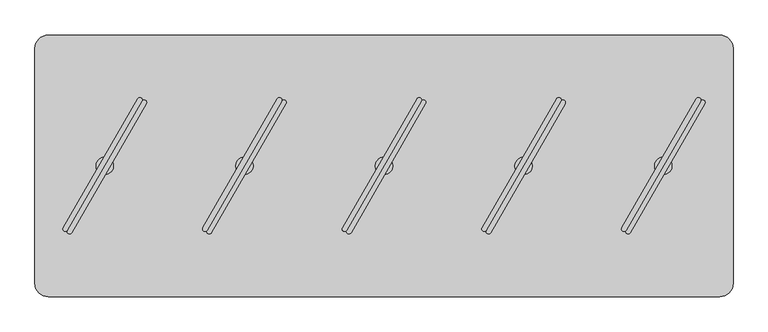
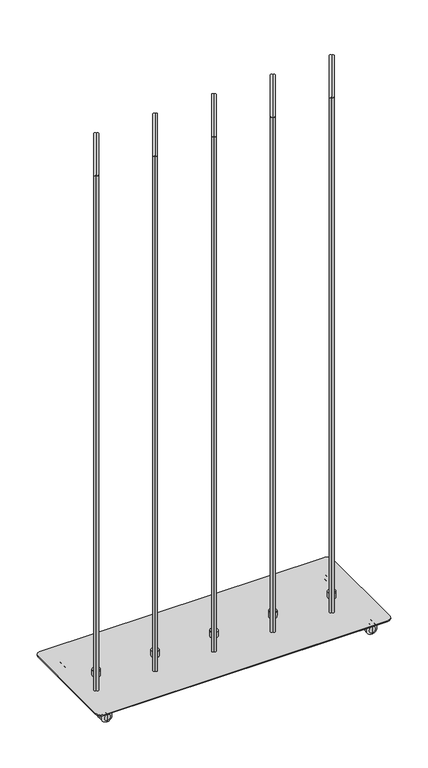
"""IFC4 building model written with IfcOpenShell, lengths in millimetres: furniture geometry."""

from ifc_helpers import new_model, si_unit, point, frame, frame_2d, origin, place, context, project, spatial, polyline, circle_curve, ellipse_curve, trimmed, segment, composite_curve, outline, extrude, source, transform, mapped, element, save
from ifc_brep_helpers import plane_surface, cylinder_surface, revolved_surface, advanced_brep


def furniture_1c10b4f9(model_context):
    return source(origin(), model_context, "Body", "SolidModel", [
        extrude(outline(composite_curve([segment(polyline([(340.6144903, -160.9427833), (447.2724107, 23.7941539)]), True, "CONTINUOUS"), segment(trimmed(circle_curve(frame_2d((450.3034289, 22.0441947)), 3.4999184), [point((447.2724107, 23.7941539))], [point((453.3344472, 20.2942356))], False, "CARTESIAN"), True, "CONTINUOUS"), segment(polyline([(453.3344472, 20.2942356), (346.6765267, -164.4427017)]), True, "CONTINUOUS"), segment(trimmed(circle_curve(frame_2d((343.6455085, -162.6927425)), 3.4999184), [point((346.6765267, -164.4427017))], [point((340.6144903, -160.9427833))], False, "CARTESIAN"), True, "CONTINUOUS")], self_intersect=False)), frame((0.0, 0.0, 80.7339983), z_axis=(0.0, 0.0, 1.0), x_axis=(1.0, 0.0, 0.0)), (0.0, 0.0, 1.0), 1849.882),
        extrude(outline(composite_curve([segment(trimmed(circle_curve(frame_2d((349.707545, -166.1926609)), 3.4999184), [point((352.7385632, -167.9426201))], [point((346.6765267, -164.4427017))], False, "CARTESIAN"), True, "CONTINUOUS"), segment(polyline([(346.6765267, -164.4427017), (453.3344472, 20.2942356)]), True, "CONTINUOUS"), segment(trimmed(circle_curve(frame_2d((456.3654654, 18.5442764)), 3.4999184), [point((453.3344472, 20.2942356))], [point((459.3964836, 16.7943172))], False, "CARTESIAN"), True, "CONTINUOUS"), segment(polyline([(459.3964836, 16.7943172), (352.7385632, -167.9426201)]), True, "CONTINUOUS")], self_intersect=False)), frame((0.0, 0.0, 80.7339983), z_axis=(0.0, 0.0, 1.0), x_axis=(1.0, 0.0, 0.0)), (0.0, 0.0, 1.0), 1849.882),
        advanced_brep(
        [(399.9992, -84.5709522, 80.7339983), (399.9992, -59.5748171, 80.7339983), (399.9992, -59.5748171, 59.9975986), (399.9992, -84.5709522, 59.9975986), (399.9992, -72.0728847, 80.7339983), (399.9992, -72.0728847, 59.9975986)],
        [
            (0, 1, circle_curve(frame((399.9992, -72.0728847, 80.7339983), z_axis=(0.0, 0.0, -1.0), x_axis=(0.0, 1.0, 0.0)), 12.4980675)),
            (1, 2),
            (2, 3, circle_curve(frame((399.9992, -72.0728847, 59.9975986), z_axis=(0.0, 0.0, 1.0), x_axis=(0.0, 1.0, 0.0)), 12.4980675)),
            (3, 0),
            (4, 1),
            (0, 4),
            (0, 1, circle_curve(frame((399.9992, -72.0728847, 80.7339983), z_axis=(0.0, 0.0, 1.0), x_axis=(0.0, 1.0, 0.0)), 12.4980675)),
            (2, 5),
            (5, 3),
            (2, 3, circle_curve(frame((399.9992, -72.0728847, 59.9975986), z_axis=(0.0, 0.0, -1.0), x_axis=(0.0, 1.0, 0.0)), 12.4980675)),
        ],
        [
            cylinder_surface(frame((399.9992, -72.0728847, 88.2747758), z_axis=(0.0, 0.0, 1.0), x_axis=(0.0, 1.0, 0.0)), 12.4980675),
            plane_surface(frame((399.9992, -72.0728847, 80.7339983), z_axis=(0.0, 0.0, 1.0), x_axis=(0.0, 1.0, 0.0))),
            plane_surface(frame((399.9992, -72.0728847, 59.9975986), z_axis=(0.0, 0.0, -1.0), x_axis=(0.0, 1.0, 0.0))),
        ],
        [
            (0, [[1, 2, 3, 4]]),
            (1, [[5, -1, 6]]),
            (1, [[-6, 7, -5]]),
            (2, [[-3, 8, 9]]),
            (2, [[10, -9, -8]]),
            (0, [[-7, -4, -10, -2]]),
        ],
    ),
        extrude(outline(composite_curve([segment(polyline([(140.6148903, -160.9427833), (247.2728107, 23.7941539)]), True, "CONTINUOUS"), segment(trimmed(circle_curve(frame_2d((250.3038289, 22.0441947)), 3.4999184), [point((247.2728107, 23.7941539))], [point((253.3348472, 20.2942356))], False, "CARTESIAN"), True, "CONTINUOUS"), segment(polyline([(253.3348472, 20.2942356), (146.6769267, -164.4427017)]), True, "CONTINUOUS"), segment(trimmed(circle_curve(frame_2d((143.6459085, -162.6927425)), 3.4999184), [point((146.6769267, -164.4427017))], [point((140.6148903, -160.9427833))], False, "CARTESIAN"), True, "CONTINUOUS")], self_intersect=False)), frame((0.0, 0.0, 80.7339983), z_axis=(0.0, 0.0, 1.0), x_axis=(1.0, 0.0, 0.0)), (0.0, 0.0, 1.0), 1849.882),
        extrude(outline(composite_curve([segment(trimmed(circle_curve(frame_2d((149.707945, -166.1926609)), 3.4999184), [point((152.7389632, -167.9426201))], [point((146.6769267, -164.4427017))], False, "CARTESIAN"), True, "CONTINUOUS"), segment(polyline([(146.6769267, -164.4427017), (253.3348472, 20.2942356)]), True, "CONTINUOUS"), segment(trimmed(circle_curve(frame_2d((256.3658654, 18.5442764)), 3.4999184), [point((253.3348472, 20.2942356))], [point((259.3968836, 16.7943172))], False, "CARTESIAN"), True, "CONTINUOUS"), segment(polyline([(259.3968836, 16.7943172), (152.7389632, -167.9426201)]), True, "CONTINUOUS")], self_intersect=False)), frame((0.0, 0.0, 80.7339983), z_axis=(0.0, 0.0, 1.0), x_axis=(1.0, 0.0, 0.0)), (0.0, 0.0, 1.0), 1849.882),
        advanced_brep(
        [(199.9996, -84.5709522, 80.7339983), (199.9996, -59.5748171, 80.7339983), (199.9996, -59.5748171, 59.9975986), (199.9996, -84.5709522, 59.9975986), (199.9996, -72.0728847, 80.7339983), (199.9996, -72.0728847, 59.9975986)],
        [
            (0, 1, circle_curve(frame((199.9996, -72.0728847, 80.7339983), z_axis=(0.0, 0.0, -1.0), x_axis=(0.0, 1.0, 0.0)), 12.4980675)),
            (1, 2),
            (2, 3, circle_curve(frame((199.9996, -72.0728847, 59.9975986), z_axis=(0.0, 0.0, 1.0), x_axis=(0.0, 1.0, 0.0)), 12.4980675)),
            (3, 0),
            (4, 1),
            (0, 4),
            (0, 1, circle_curve(frame((199.9996, -72.0728847, 80.7339983), z_axis=(0.0, 0.0, 1.0), x_axis=(0.0, 1.0, 0.0)), 12.4980675)),
            (2, 5),
            (5, 3),
            (2, 3, circle_curve(frame((199.9996, -72.0728847, 59.9975986), z_axis=(0.0, 0.0, -1.0), x_axis=(0.0, 1.0, 0.0)), 12.4980675)),
        ],
        [
            cylinder_surface(frame((199.9996, -72.0728847, 88.2747758), z_axis=(0.0, 0.0, 1.0), x_axis=(0.0, 1.0, 0.0)), 12.4980675),
            plane_surface(frame((199.9996, -72.0728847, 80.7339983), z_axis=(0.0, 0.0, 1.0), x_axis=(0.0, 1.0, 0.0))),
            plane_surface(frame((199.9996, -72.0728847, 59.9975986), z_axis=(0.0, 0.0, -1.0), x_axis=(0.0, 1.0, 0.0))),
        ],
        [
            (0, [[1, 2, 3, 4]]),
            (1, [[5, -1, 6]]),
            (1, [[-6, 7, -5]]),
            (2, [[-3, 8, 9]]),
            (2, [[10, -9, -8]]),
            (0, [[-7, -4, -10, -2]]),
        ],
    ),
        extrude(outline(composite_curve([segment(polyline([(-459.3839097, -160.9427833), (-352.7259893, 23.7941539)]), True, "CONTINUOUS"), segment(trimmed(circle_curve(frame_2d((-349.6949711, 22.0441947)), 3.4999184), [point((-352.7259893, 23.7941539))], [point((-346.6639528, 20.2942356))], False, "CARTESIAN"), True, "CONTINUOUS"), segment(polyline([(-346.6639528, 20.2942356), (-453.3218733, -164.4427017)]), True, "CONTINUOUS"), segment(trimmed(circle_curve(frame_2d((-456.3528915, -162.6927425)), 3.4999184), [point((-453.3218733, -164.4427017))], [point((-459.3839097, -160.9427833))], False, "CARTESIAN"), True, "CONTINUOUS")], self_intersect=False)), frame((0.0, 0.0, 80.7339983), z_axis=(0.0, 0.0, 1.0), x_axis=(1.0, 0.0, 0.0)), (0.0, 0.0, 1.0), 1849.882),
        extrude(outline(composite_curve([segment(trimmed(circle_curve(frame_2d((-450.290855, -166.1926609)), 3.4999184), [point((-447.2598368, -167.9426201))], [point((-453.3218733, -164.4427017))], False, "CARTESIAN"), True, "CONTINUOUS"), segment(polyline([(-453.3218733, -164.4427017), (-346.6639528, 20.2942356)]), True, "CONTINUOUS"), segment(trimmed(circle_curve(frame_2d((-343.6329346, 18.5442764)), 3.4999184), [point((-346.6639528, 20.2942356))], [point((-340.6019164, 16.7943172))], False, "CARTESIAN"), True, "CONTINUOUS"), segment(polyline([(-340.6019164, 16.7943172), (-447.2598368, -167.9426201)]), True, "CONTINUOUS")], self_intersect=False)), frame((0.0, 0.0, 80.7339983), z_axis=(0.0, 0.0, 1.0), x_axis=(1.0, 0.0, 0.0)), (0.0, 0.0, 1.0), 1849.882),
        advanced_brep(
        [(-399.9992, -84.5709522, 80.7339983), (-399.9992, -59.5748171, 80.7339983), (-399.9992, -59.5748171, 59.9975986), (-399.9992, -84.5709522, 59.9975986), (-399.9992, -72.0728847, 80.7339983), (-399.9992, -72.0728847, 59.9975986)],
        [
            (0, 1, circle_curve(frame((-399.9992, -72.0728847, 80.7339983), z_axis=(0.0, 0.0, -1.0), x_axis=(0.0, 1.0, 0.0)), 12.4980675)),
            (1, 2),
            (2, 3, circle_curve(frame((-399.9992, -72.0728847, 59.9975986), z_axis=(0.0, 0.0, 1.0), x_axis=(0.0, 1.0, 0.0)), 12.4980675)),
            (3, 0),
            (4, 1),
            (0, 4),
            (0, 1, circle_curve(frame((-399.9992, -72.0728847, 80.7339983), z_axis=(0.0, 0.0, 1.0), x_axis=(0.0, 1.0, 0.0)), 12.4980675)),
            (2, 5),
            (5, 3),
            (2, 3, circle_curve(frame((-399.9992, -72.0728847, 59.9975986), z_axis=(0.0, 0.0, -1.0), x_axis=(0.0, 1.0, 0.0)), 12.4980675)),
        ],
        [
            cylinder_surface(frame((-399.9992, -72.0728847, 88.2747758), z_axis=(0.0, 0.0, 1.0), x_axis=(0.0, 1.0, 0.0)), 12.4980675),
            plane_surface(frame((-399.9992, -72.0728847, 80.7339983), z_axis=(0.0, 0.0, 1.0), x_axis=(0.0, 1.0, 0.0))),
            plane_surface(frame((-399.9992, -72.0728847, 59.9975986), z_axis=(0.0, 0.0, -1.0), x_axis=(0.0, 1.0, 0.0))),
        ],
        [
            (0, [[1, 2, 3, 4]]),
            (1, [[5, -1, 6]]),
            (1, [[-6, 7, -5]]),
            (2, [[-3, 8, 9]]),
            (2, [[10, -9, -8]]),
            (0, [[-7, -4, -10, -2]]),
        ],
    ),
        extrude(outline(composite_curve([segment(polyline([(-59.3847097, -160.9427833), (47.2732107, 23.7941539)]), True, "CONTINUOUS"), segment(trimmed(circle_curve(frame_2d((50.3042289, 22.0441947)), 3.4999184), [point((47.2732107, 23.7941539))], [point((53.3352472, 20.2942356))], False, "CARTESIAN"), True, "CONTINUOUS"), segment(polyline([(53.3352472, 20.2942356), (-53.3226733, -164.4427017)]), True, "CONTINUOUS"), segment(trimmed(circle_curve(frame_2d((-56.3536915, -162.6927425)), 3.4999184), [point((-53.3226733, -164.4427017))], [point((-59.3847097, -160.9427833))], False, "CARTESIAN"), True, "CONTINUOUS")], self_intersect=False)), frame((0.0, 0.0, 80.7339983), z_axis=(0.0, 0.0, 1.0), x_axis=(1.0, 0.0, 0.0)), (0.0, 0.0, 1.0), 1849.882),
        extrude(outline(composite_curve([segment(trimmed(circle_curve(frame_2d((-50.291655, -166.1926609)), 3.4999184), [point((-47.2606368, -167.9426201))], [point((-53.3226733, -164.4427017))], False, "CARTESIAN"), True, "CONTINUOUS"), segment(polyline([(-53.3226733, -164.4427017), (53.3352472, 20.2942356)]), True, "CONTINUOUS"), segment(trimmed(circle_curve(frame_2d((56.3662654, 18.5442764)), 3.4999184), [point((53.3352472, 20.2942356))], [point((59.3972836, 16.7943172))], False, "CARTESIAN"), True, "CONTINUOUS"), segment(polyline([(59.3972836, 16.7943172), (-47.2606368, -167.9426201)]), True, "CONTINUOUS")], self_intersect=False)), frame((0.0, 0.0, 80.7339983), z_axis=(0.0, 0.0, 1.0), x_axis=(1.0, 0.0, 0.0)), (0.0, 0.0, 1.0), 1849.882),
        advanced_brep(
        [(0.0, -84.5709522, 80.7339983), (0.0, -59.5748171, 80.7339983), (0.0, -59.5748171, 59.9975986), (0.0, -84.5709522, 59.9975986), (0.0, -72.0728847, 80.7339983), (0.0, -72.0728847, 59.9975986)],
        [
            (0, 1, circle_curve(frame((0.0, -72.0728847, 80.7339983), z_axis=(0.0, 0.0, -1.0), x_axis=(0.0, 1.0, 0.0)), 12.4980675)),
            (1, 2),
            (2, 3, circle_curve(frame((0.0, -72.0728847, 59.9975986), z_axis=(0.0, 0.0, 1.0), x_axis=(0.0, 1.0, 0.0)), 12.4980675)),
            (3, 0),
            (4, 1),
            (0, 4),
            (0, 1, circle_curve(frame((0.0, -72.0728847, 80.7339983), z_axis=(0.0, 0.0, 1.0), x_axis=(0.0, 1.0, 0.0)), 12.4980675)),
            (2, 5),
            (5, 3),
            (2, 3, circle_curve(frame((0.0, -72.0728847, 59.9975986), z_axis=(0.0, 0.0, -1.0), x_axis=(0.0, 1.0, 0.0)), 12.4980675)),
        ],
        [
            cylinder_surface(frame((0.0, -72.0728847, 88.2747758), z_axis=(0.0, 0.0, 1.0), x_axis=(0.0, 1.0, 0.0)), 12.4980675),
            plane_surface(frame((0.0, -72.0728847, 80.7339983), z_axis=(0.0, 0.0, 1.0), x_axis=(0.0, 1.0, 0.0))),
            plane_surface(frame((0.0, -72.0728847, 59.9975986), z_axis=(0.0, 0.0, -1.0), x_axis=(0.0, 1.0, 0.0))),
        ],
        [
            (0, [[1, 2, 3, 4]]),
            (1, [[5, -1, 6]]),
            (1, [[-6, 7, -5]]),
            (2, [[-3, 8, 9]]),
            (2, [[10, -9, -8]]),
            (0, [[-7, -4, -10, -2]]),
        ],
    ),
        extrude(outline(composite_curve([segment(polyline([(-259.3843097, -160.9427833), (-152.7263893, 23.7941539)]), True, "CONTINUOUS"), segment(trimmed(circle_curve(frame_2d((-149.6953711, 22.0441947)), 3.4999184), [point((-152.7263893, 23.7941539))], [point((-146.6643528, 20.2942356))], False, "CARTESIAN"), True, "CONTINUOUS"), segment(polyline([(-146.6643528, 20.2942356), (-253.3222733, -164.4427017)]), True, "CONTINUOUS"), segment(trimmed(circle_curve(frame_2d((-256.3532915, -162.6927425)), 3.4999184), [point((-253.3222733, -164.4427017))], [point((-259.3843097, -160.9427833))], False, "CARTESIAN"), True, "CONTINUOUS")], self_intersect=False)), frame((0.0, 0.0, 80.7339983), z_axis=(0.0, 0.0, 1.0), x_axis=(1.0, 0.0, 0.0)), (0.0, 0.0, 1.0), 1849.882),
        extrude(outline(composite_curve([segment(trimmed(circle_curve(frame_2d((-250.291255, -166.1926609)), 3.4999184), [point((-247.2602368, -167.9426201))], [point((-253.3222733, -164.4427017))], False, "CARTESIAN"), True, "CONTINUOUS"), segment(polyline([(-253.3222733, -164.4427017), (-146.6643528, 20.2942356)]), True, "CONTINUOUS"), segment(trimmed(circle_curve(frame_2d((-143.6333346, 18.5442764)), 3.4999184), [point((-146.6643528, 20.2942356))], [point((-140.6023164, 16.7943172))], False, "CARTESIAN"), True, "CONTINUOUS"), segment(polyline([(-140.6023164, 16.7943172), (-247.2602368, -167.9426201)]), True, "CONTINUOUS")], self_intersect=False)), frame((0.0, 0.0, 80.7339983), z_axis=(0.0, 0.0, 1.0), x_axis=(1.0, 0.0, 0.0)), (0.0, 0.0, 1.0), 1849.882),
        advanced_brep(
        [(-199.9996, -84.5709522, 80.7339983), (-199.9996, -59.5748171, 80.7339983), (-199.9996, -59.5748171, 59.9975986), (-199.9996, -84.5709522, 59.9975986), (-199.9996, -72.0728847, 80.7339983), (-199.9996, -72.0728847, 59.9975986)],
        [
            (0, 1, circle_curve(frame((-199.9996, -72.0728847, 80.7339983), z_axis=(0.0, 0.0, -1.0), x_axis=(0.0, 1.0, 0.0)), 12.4980675)),
            (1, 2),
            (2, 3, circle_curve(frame((-199.9996, -72.0728847, 59.9975986), z_axis=(0.0, 0.0, 1.0), x_axis=(0.0, 1.0, 0.0)), 12.4980675)),
            (3, 0),
            (4, 1),
            (0, 4),
            (0, 1, circle_curve(frame((-199.9996, -72.0728847, 80.7339983), z_axis=(0.0, 0.0, 1.0), x_axis=(0.0, 1.0, 0.0)), 12.4980675)),
            (2, 5),
            (5, 3),
            (2, 3, circle_curve(frame((-199.9996, -72.0728847, 59.9975986), z_axis=(0.0, 0.0, -1.0), x_axis=(0.0, 1.0, 0.0)), 12.4980675)),
        ],
        [
            cylinder_surface(frame((-199.9996, -72.0728847, 88.2747758), z_axis=(0.0, 0.0, 1.0), x_axis=(0.0, 1.0, 0.0)), 12.4980675),
            plane_surface(frame((-199.9996, -72.0728847, 80.7339983), z_axis=(0.0, 0.0, 1.0), x_axis=(0.0, 1.0, 0.0))),
            plane_surface(frame((-199.9996, -72.0728847, 59.9975986), z_axis=(0.0, 0.0, -1.0), x_axis=(0.0, 1.0, 0.0))),
        ],
        [
            (0, [[1, 2, 3, 4]]),
            (1, [[5, -1, 6]]),
            (1, [[-6, 7, -5]]),
            (2, [[-3, 8, 9]]),
            (2, [[10, -9, -8]]),
            (0, [[-7, -4, -10, -2]]),
        ],
    ),
        advanced_brep(
        [(450.0227698, -206.2418204, 45.0000013), (450.0227698, -203.51056, 45.0000013), (450.0227698, -208.9730808, 45.0000013), (450.0227698, -208.9730808, 20.9698569), (450.0227698, -203.51056, 20.9698569), (450.0227698, -206.2418204, 20.9698569)],
        [
            (0, 1),
            (1, 2, circle_curve(frame((450.0227698, -206.2418204, 45.0000013), z_axis=(0.0, 0.0, 1.0), x_axis=(0.0, 1.0, 0.0)), 2.7312604)),
            (2, 0),
            (2, 1, circle_curve(frame((450.0227698, -206.2418204, 45.0000013), z_axis=(0.0, 0.0, 1.0), x_axis=(0.0, 1.0, 0.0)), 2.7312604)),
            (3, 4, circle_curve(frame((450.0227698, -206.2418204, 20.9698569), z_axis=(0.0, 0.0, -1.0), x_axis=(0.0, 1.0, 0.0)), 2.7312604)),
            (4, 5),
            (5, 3),
            (4, 3, circle_curve(frame((450.0227698, -206.2418204, 20.9698569), z_axis=(0.0, 0.0, -1.0), x_axis=(0.0, 1.0, 0.0)), 2.7312604)),
            (1, 4),
            (3, 2),
        ],
        [
            plane_surface(frame((450.0227698, -206.2418204, 45.0000013), z_axis=(0.0, 0.0, 1.0), x_axis=(0.0, 1.0, 0.0))),
            plane_surface(frame((450.0227698, -206.2418204, 20.9698569), z_axis=(0.0, 0.0, -1.0), x_axis=(0.0, 1.0, 0.0))),
            cylinder_surface(frame((450.0227698, -206.2418204, 53.5051757), z_axis=(0.0, 0.0, 1.0), x_axis=(0.0, 1.0, 0.0)), 2.7312604),
        ],
        [
            (0, [[1, 2, 3]]),
            (0, [[-3, 4, -1]]),
            (1, [[5, 6, 7]]),
            (1, [[8, -7, -6]]),
            (2, [[-2, 9, -5, 10]]),
            (2, [[-4, -10, -8, -9]]),
        ],
    ),
        advanced_brep(
        [(450.0227698, -187.2418219, 6.35), (450.0227698, -187.2418219, 29.650001), (450.0227698, -187.2418219, 18.0000005), (450.0227698, -193.5918219, 0.0), (450.0227698, -193.5918219, 36.000001), (450.0227698, -199.2418207, 0.0), (450.0227698, -199.2418207, 36.000001), (450.0227698, -199.2418207, 11.0000008), (450.0227698, -199.2418207, 25.0000002), (450.0227698, -213.2418246, 11.0000008), (450.0227698, -213.2418246, 25.0000002), (450.0227698, -213.2418246, 0.0), (450.0227698, -213.2418246, 36.000001), (450.0227698, -218.8918189, 0.0), (450.0227698, -218.8918189, 36.000001), (450.0227698, -225.2418189, 6.35), (450.0227698, -225.2418189, 29.650001), (450.0227698, -225.2418189, 18.0000005)],
        [
            (0, 1, circle_curve(frame((450.0227698, -187.2418219, 18.0000005), z_axis=(0.0, 1.0, 0.0), x_axis=(0.0, 0.0, 1.0)), 11.6500005)),
            (1, 2),
            (2, 0),
            (1, 0, circle_curve(frame((450.0227698, -187.2418219, 18.0000005), z_axis=(0.0, 1.0, 0.0), x_axis=(0.0, 0.0, 1.0)), 11.6500005)),
            (3, 4, circle_curve(frame((450.0227698, -193.5918219, 18.0000005), z_axis=(0.0, 1.0, 0.0), x_axis=(0.0, 0.0, 1.0)), 18.0000005)),
            (4, 1, circle_curve(frame((450.0227698, -193.5918219, 29.650001), z_axis=(-1.0, 0.0, 0.0), x_axis=(0.0, 1.0, 0.0)), 6.35)),
            (0, 3, circle_curve(frame((450.0227698, -193.5918219, 6.35), z_axis=(-1.0, 0.0, 0.0), x_axis=(0.0, 1.0, 0.0)), 6.35)),
            (4, 3, circle_curve(frame((450.0227698, -193.5918219, 18.0000005), z_axis=(0.0, 1.0, 0.0), x_axis=(0.0, 0.0, 1.0)), 18.0000005)),
            (5, 6, circle_curve(frame((450.0227698, -199.2418207, 18.0000005), z_axis=(0.0, 1.0, 0.0), x_axis=(0.0, 0.0, 1.0)), 18.0000005)),
            (6, 4),
            (3, 5),
            (6, 5, circle_curve(frame((450.0227698, -199.2418207, 18.0000005), z_axis=(0.0, 1.0, 0.0), x_axis=(0.0, 0.0, 1.0)), 18.0000005)),
            (7, 8, circle_curve(frame((450.0227698, -199.2418207, 18.0000005), z_axis=(0.0, 1.0, 0.0), x_axis=(0.0, 0.0, 1.0)), 6.9999997)),
            (8, 6),
            (5, 7),
            (8, 7, circle_curve(frame((450.0227698, -199.2418207, 18.0000005), z_axis=(0.0, 1.0, 0.0), x_axis=(0.0, 0.0, 1.0)), 6.9999997)),
            (9, 10, circle_curve(frame((450.0227698, -213.2418246, 18.0000005), z_axis=(0.0, 1.0, 0.0), x_axis=(0.0, 0.0, 1.0)), 6.9999997)),
            (10, 8),
            (7, 9),
            (10, 9, circle_curve(frame((450.0227698, -213.2418246, 18.0000005), z_axis=(0.0, 1.0, 0.0), x_axis=(0.0, 0.0, 1.0)), 6.9999997)),
            (11, 12, circle_curve(frame((450.0227698, -213.2418246, 18.0000005), z_axis=(0.0, 1.0, 0.0), x_axis=(0.0, 0.0, 1.0)), 18.0000005)),
            (12, 10),
            (9, 11),
            (12, 11, circle_curve(frame((450.0227698, -213.2418246, 18.0000005), z_axis=(0.0, 1.0, 0.0), x_axis=(0.0, 0.0, 1.0)), 18.0000005)),
            (13, 14, circle_curve(frame((450.0227698, -218.8918189, 18.0000005), z_axis=(0.0, 1.0, 0.0), x_axis=(0.0, 0.0, 1.0)), 18.0000005)),
            (14, 12),
            (11, 13),
            (14, 13, circle_curve(frame((450.0227698, -218.8918189, 18.0000005), z_axis=(0.0, 1.0, 0.0), x_axis=(0.0, 0.0, 1.0)), 18.0000005)),
            (15, 16, circle_curve(frame((450.0227698, -225.2418189, 18.0000005), z_axis=(0.0, 1.0, 0.0), x_axis=(0.0, 0.0, 1.0)), 11.6500005)),
            (16, 14, circle_curve(frame((450.0227698, -218.8918189, 29.650001), z_axis=(-1.0, 0.0, 0.0), x_axis=(0.0, 1.0, 0.0)), 6.35)),
            (13, 15, circle_curve(frame((450.0227698, -218.8918189, 6.35), z_axis=(-1.0, 0.0, 0.0), x_axis=(0.0, 1.0, 0.0)), 6.35)),
            (16, 15, circle_curve(frame((450.0227698, -225.2418189, 18.0000005), z_axis=(0.0, 1.0, 0.0), x_axis=(0.0, 0.0, 1.0)), 11.6500005)),
            (17, 16),
            (15, 17),
        ],
        [
            plane_surface(frame((450.0227698, -187.2418219, 18.0000005), z_axis=(0.0, 1.0, 0.0), x_axis=(0.0, 0.0, 1.0))),
            revolved_surface(trimmed(ellipse_curve(frame((450.0227698, -193.5918219, 29.650001), z_axis=(1.0, 0.0, 0.0), x_axis=(0.0, 1.0, 0.0)), 6.35, 6.35), [point((450.0227698, -187.2418219, 29.650001))], [point((450.0227698, -193.5918219, 36.000001))], True, "CARTESIAN"), (450.0227698, -263.3418189, 18.0000005), (0.0, -1.0, 0.0)),
            cylinder_surface(frame((450.0227698, -263.3418189, 18.0000005), z_axis=(0.0, -1.0, 0.0), x_axis=(0.0, 0.0, 1.0)), 18.0000005),
            plane_surface(frame((450.0227698, -199.2418207, 18.0000005), z_axis=(0.0, -1.0, 0.0), x_axis=(0.0, 0.0, 1.0))),
            cylinder_surface(frame((450.0227698, -263.3418189, 18.0000005), z_axis=(0.0, -1.0, 0.0), x_axis=(0.0, 0.0, 1.0)), 6.9999997),
            plane_surface(frame((450.0227698, -213.2418246, 18.0000005), z_axis=(0.0, 1.0, 0.0), x_axis=(0.0, 0.0, 1.0))),
            revolved_surface(trimmed(ellipse_curve(frame((450.0227698, -218.8918189, 29.650001), z_axis=(1.0, 0.0, 0.0), x_axis=(0.0, 1.0, 0.0)), 6.35, 6.35), [point((450.0227698, -218.8918189, 36.000001))], [point((450.0227698, -225.2418189, 29.650001))], True, "CARTESIAN"), (450.0227698, -263.3418189, 18.0000005), (0.0, -1.0, 0.0)),
            plane_surface(frame((450.0227698, -225.2418189, 18.0000005), z_axis=(0.0, -1.0, 0.0), x_axis=(0.0, 0.0, 1.0))),
        ],
        [
            (0, [[1, 2, 3]]),
            (0, [[4, -3, -2]]),
            (1, [[5, 6, -1, 7]]),
            (1, [[8, -7, -4, -6]]),
            (2, [[9, 10, -5, 11]]),
            (2, [[12, -11, -8, -10]]),
            (3, [[13, 14, -9, 15]]),
            (3, [[16, -15, -12, -14]]),
            (4, [[17, 18, -13, 19]]),
            (4, [[20, -19, -16, -18]]),
            (5, [[21, 22, -17, 23]]),
            (5, [[24, -23, -20, -22]]),
            (2, [[25, 26, -21, 27]]),
            (2, [[28, -27, -24, -26]]),
            (6, [[29, 30, -25, 31]]),
            (6, [[32, -31, -28, -30]]),
            (7, [[33, -29, 34]]),
            (7, [[-34, -32, -33]]),
        ],
    ),
        advanced_brep(
        [(450.0227698, 62.0960511, 45.0000013), (450.0227698, 64.8273115, 45.0000013), (450.0227698, 59.3647906, 45.0000013), (450.0227698, 59.3647906, 20.9698569), (450.0227698, 64.8273115, 20.9698569), (450.0227698, 62.0960511, 20.9698569)],
        [
            (0, 1),
            (1, 2, circle_curve(frame((450.0227698, 62.0960511, 45.0000013), z_axis=(0.0, 0.0, 1.0), x_axis=(0.0, 1.0, 0.0)), 2.7312604)),
            (2, 0),
            (2, 1, circle_curve(frame((450.0227698, 62.0960511, 45.0000013), z_axis=(0.0, 0.0, 1.0), x_axis=(0.0, 1.0, 0.0)), 2.7312604)),
            (3, 4, circle_curve(frame((450.0227698, 62.0960511, 20.9698569), z_axis=(0.0, 0.0, -1.0), x_axis=(0.0, 1.0, 0.0)), 2.7312604)),
            (4, 5),
            (5, 3),
            (4, 3, circle_curve(frame((450.0227698, 62.0960511, 20.9698569), z_axis=(0.0, 0.0, -1.0), x_axis=(0.0, 1.0, 0.0)), 2.7312604)),
            (1, 4),
            (3, 2),
        ],
        [
            plane_surface(frame((450.0227698, 62.0960511, 45.0000013), z_axis=(0.0, 0.0, 1.0), x_axis=(0.0, 1.0, 0.0))),
            plane_surface(frame((450.0227698, 62.0960511, 20.9698569), z_axis=(0.0, 0.0, -1.0), x_axis=(0.0, 1.0, 0.0))),
            cylinder_surface(frame((450.0227698, 62.0960511, 53.5051757), z_axis=(0.0, 0.0, 1.0), x_axis=(0.0, 1.0, 0.0)), 2.7312604),
        ],
        [
            (0, [[1, 2, 3]]),
            (0, [[-3, 4, -1]]),
            (1, [[5, 6, 7]]),
            (1, [[8, -7, -6]]),
            (2, [[-2, 9, -5, 10]]),
            (2, [[-4, -10, -8, -9]]),
        ],
    ),
        advanced_brep(
        [(450.0227698, 81.0960496, 6.35), (450.0227698, 81.0960496, 29.650001), (450.0227698, 81.0960496, 18.0000005), (450.0227698, 74.7460496, 0.0), (450.0227698, 74.7460496, 36.000001), (450.0227698, 69.0960507, 0.0), (450.0227698, 69.0960507, 36.000001), (450.0227698, 69.0960507, 11.0000008), (450.0227698, 69.0960507, 25.0000002), (450.0227698, 55.0960468, 11.0000008), (450.0227698, 55.0960468, 25.0000002), (450.0227698, 55.0960468, 0.0), (450.0227698, 55.0960468, 36.000001), (450.0227698, 49.4460525, 0.0), (450.0227698, 49.4460525, 36.000001), (450.0227698, 43.0960525, 6.35), (450.0227698, 43.0960525, 29.650001), (450.0227698, 43.0960525, 18.0000005)],
        [
            (0, 1, circle_curve(frame((450.0227698, 81.0960496, 18.0000005), z_axis=(0.0, 1.0, 0.0), x_axis=(0.0, 0.0, 1.0)), 11.6500005)),
            (1, 2),
            (2, 0),
            (1, 0, circle_curve(frame((450.0227698, 81.0960496, 18.0000005), z_axis=(0.0, 1.0, 0.0), x_axis=(0.0, 0.0, 1.0)), 11.6500005)),
            (3, 4, circle_curve(frame((450.0227698, 74.7460496, 18.0000005), z_axis=(0.0, 1.0, 0.0), x_axis=(0.0, 0.0, 1.0)), 18.0000005)),
            (4, 1, circle_curve(frame((450.0227698, 74.7460496, 29.650001), z_axis=(-1.0, 0.0, 0.0), x_axis=(0.0, 1.0, 0.0)), 6.35)),
            (0, 3, circle_curve(frame((450.0227698, 74.7460496, 6.35), z_axis=(-1.0, 0.0, 0.0), x_axis=(0.0, 1.0, 0.0)), 6.35)),
            (4, 3, circle_curve(frame((450.0227698, 74.7460496, 18.0000005), z_axis=(0.0, 1.0, 0.0), x_axis=(0.0, 0.0, 1.0)), 18.0000005)),
            (5, 6, circle_curve(frame((450.0227698, 69.0960507, 18.0000005), z_axis=(0.0, 1.0, 0.0), x_axis=(0.0, 0.0, 1.0)), 18.0000005)),
            (6, 4),
            (3, 5),
            (6, 5, circle_curve(frame((450.0227698, 69.0960507, 18.0000005), z_axis=(0.0, 1.0, 0.0), x_axis=(0.0, 0.0, 1.0)), 18.0000005)),
            (7, 8, circle_curve(frame((450.0227698, 69.0960507, 18.0000005), z_axis=(0.0, 1.0, 0.0), x_axis=(0.0, 0.0, 1.0)), 6.9999997)),
            (8, 6),
            (5, 7),
            (8, 7, circle_curve(frame((450.0227698, 69.0960507, 18.0000005), z_axis=(0.0, 1.0, 0.0), x_axis=(0.0, 0.0, 1.0)), 6.9999997)),
            (9, 10, circle_curve(frame((450.0227698, 55.0960468, 18.0000005), z_axis=(0.0, 1.0, 0.0), x_axis=(0.0, 0.0, 1.0)), 6.9999997)),
            (10, 8),
            (7, 9),
            (10, 9, circle_curve(frame((450.0227698, 55.0960468, 18.0000005), z_axis=(0.0, 1.0, 0.0), x_axis=(0.0, 0.0, 1.0)), 6.9999997)),
            (11, 12, circle_curve(frame((450.0227698, 55.0960468, 18.0000005), z_axis=(0.0, 1.0, 0.0), x_axis=(0.0, 0.0, 1.0)), 18.0000005)),
            (12, 10),
            (9, 11),
            (12, 11, circle_curve(frame((450.0227698, 55.0960468, 18.0000005), z_axis=(0.0, 1.0, 0.0), x_axis=(0.0, 0.0, 1.0)), 18.0000005)),
            (13, 14, circle_curve(frame((450.0227698, 49.4460525, 18.0000005), z_axis=(0.0, 1.0, 0.0), x_axis=(0.0, 0.0, 1.0)), 18.0000005)),
            (14, 12),
            (11, 13),
            (14, 13, circle_curve(frame((450.0227698, 49.4460525, 18.0000005), z_axis=(0.0, 1.0, 0.0), x_axis=(0.0, 0.0, 1.0)), 18.0000005)),
            (15, 16, circle_curve(frame((450.0227698, 43.0960525, 18.0000005), z_axis=(0.0, 1.0, 0.0), x_axis=(0.0, 0.0, 1.0)), 11.6500005)),
            (16, 14, circle_curve(frame((450.0227698, 49.4460525, 29.650001), z_axis=(-1.0, 0.0, 0.0), x_axis=(0.0, 1.0, 0.0)), 6.35)),
            (13, 15, circle_curve(frame((450.0227698, 49.4460525, 6.35), z_axis=(-1.0, 0.0, 0.0), x_axis=(0.0, 1.0, 0.0)), 6.35)),
            (16, 15, circle_curve(frame((450.0227698, 43.0960525, 18.0000005), z_axis=(0.0, 1.0, 0.0), x_axis=(0.0, 0.0, 1.0)), 11.6500005)),
            (17, 16),
            (15, 17),
        ],
        [
            plane_surface(frame((450.0227698, 81.0960496, 18.0000005), z_axis=(0.0, 1.0, 0.0), x_axis=(0.0, 0.0, 1.0))),
            revolved_surface(trimmed(ellipse_curve(frame((450.0227698, 74.7460496, 29.650001), z_axis=(1.0, 0.0, 0.0), x_axis=(0.0, 1.0, 0.0)), 6.35, 6.35), [point((450.0227698, 81.0960496, 29.650001))], [point((450.0227698, 74.7460496, 36.000001))], True, "CARTESIAN"), (450.0227698, 4.9960525, 18.0000005), (0.0, -1.0, 0.0)),
            cylinder_surface(frame((450.0227698, 4.9960525, 18.0000005), z_axis=(0.0, -1.0, 0.0), x_axis=(0.0, 0.0, 1.0)), 18.0000005),
            plane_surface(frame((450.0227698, 69.0960507, 18.0000005), z_axis=(0.0, -1.0, 0.0), x_axis=(0.0, 0.0, 1.0))),
            cylinder_surface(frame((450.0227698, 4.9960525, 18.0000005), z_axis=(0.0, -1.0, 0.0), x_axis=(0.0, 0.0, 1.0)), 6.9999997),
            plane_surface(frame((450.0227698, 55.0960468, 18.0000005), z_axis=(0.0, 1.0, 0.0), x_axis=(0.0, 0.0, 1.0))),
            revolved_surface(trimmed(ellipse_curve(frame((450.0227698, 49.4460525, 29.650001), z_axis=(1.0, 0.0, 0.0), x_axis=(0.0, 1.0, 0.0)), 6.35, 6.35), [point((450.0227698, 49.4460525, 36.000001))], [point((450.0227698, 43.0960525, 29.650001))], True, "CARTESIAN"), (450.0227698, 4.9960525, 18.0000005), (0.0, -1.0, 0.0)),
            plane_surface(frame((450.0227698, 43.0960525, 18.0000005), z_axis=(0.0, -1.0, 0.0), x_axis=(0.0, 0.0, 1.0))),
        ],
        [
            (0, [[1, 2, 3]]),
            (0, [[4, -3, -2]]),
            (1, [[5, 6, -1, 7]]),
            (1, [[8, -7, -4, -6]]),
            (2, [[9, 10, -5, 11]]),
            (2, [[12, -11, -8, -10]]),
            (3, [[13, 14, -9, 15]]),
            (3, [[16, -15, -12, -14]]),
            (4, [[17, 18, -13, 19]]),
            (4, [[20, -19, -16, -18]]),
            (5, [[21, 22, -17, 23]]),
            (5, [[24, -23, -20, -22]]),
            (2, [[25, 26, -21, 27]]),
            (2, [[28, -27, -24, -26]]),
            (6, [[29, 30, -25, 31]]),
            (6, [[32, -31, -28, -30]]),
            (7, [[33, -29, 34]]),
            (7, [[-34, -32, -33]]),
        ],
    ),
        advanced_brep(
        [(-450.0227698, 62.0960511, 45.0000013), (-450.0227698, 64.8273115, 45.0000013), (-450.0227698, 59.3647906, 45.0000013), (-450.0227698, 59.3647906, 20.9698569), (-450.0227698, 64.8273115, 20.9698569), (-450.0227698, 62.0960511, 20.9698569)],
        [
            (0, 1),
            (1, 2, circle_curve(frame((-450.0227698, 62.0960511, 45.0000013), z_axis=(0.0, 0.0, 1.0), x_axis=(0.0, 1.0, 0.0)), 2.7312604)),
            (2, 0),
            (2, 1, circle_curve(frame((-450.0227698, 62.0960511, 45.0000013), z_axis=(0.0, 0.0, 1.0), x_axis=(0.0, 1.0, 0.0)), 2.7312604)),
            (3, 4, circle_curve(frame((-450.0227698, 62.0960511, 20.9698569), z_axis=(0.0, 0.0, -1.0), x_axis=(0.0, 1.0, 0.0)), 2.7312604)),
            (4, 5),
            (5, 3),
            (4, 3, circle_curve(frame((-450.0227698, 62.0960511, 20.9698569), z_axis=(0.0, 0.0, -1.0), x_axis=(0.0, 1.0, 0.0)), 2.7312604)),
            (1, 4),
            (3, 2),
        ],
        [
            plane_surface(frame((-450.0227698, 62.0960511, 45.0000013), z_axis=(0.0, 0.0, 1.0), x_axis=(0.0, 1.0, 0.0))),
            plane_surface(frame((-450.0227698, 62.0960511, 20.9698569), z_axis=(0.0, 0.0, -1.0), x_axis=(0.0, 1.0, 0.0))),
            cylinder_surface(frame((-450.0227698, 62.0960511, 53.5051757), z_axis=(0.0, 0.0, 1.0), x_axis=(0.0, 1.0, 0.0)), 2.7312604),
        ],
        [
            (0, [[1, 2, 3]]),
            (0, [[-3, 4, -1]]),
            (1, [[5, 6, 7]]),
            (1, [[8, -7, -6]]),
            (2, [[-2, 9, -5, 10]]),
            (2, [[-4, -10, -8, -9]]),
        ],
    ),
        advanced_brep(
        [(-450.0227698, 81.0960496, 6.35), (-450.0227698, 81.0960496, 29.650001), (-450.0227698, 81.0960496, 18.0000005), (-450.0227698, 74.7460496, 0.0), (-450.0227698, 74.7460496, 36.000001), (-450.0227698, 69.0960507, 0.0), (-450.0227698, 69.0960507, 36.000001), (-450.0227698, 69.0960507, 11.0000008), (-450.0227698, 69.0960507, 25.0000002), (-450.0227698, 55.0960468, 11.0000008), (-450.0227698, 55.0960468, 25.0000002), (-450.0227698, 55.0960468, 0.0), (-450.0227698, 55.0960468, 36.000001), (-450.0227698, 49.4460525, 0.0), (-450.0227698, 49.4460525, 36.000001), (-450.0227698, 43.0960525, 6.35), (-450.0227698, 43.0960525, 29.650001), (-450.0227698, 43.0960525, 18.0000005)],
        [
            (0, 1, circle_curve(frame((-450.0227698, 81.0960496, 18.0000005), z_axis=(0.0, 1.0, 0.0), x_axis=(0.0, 0.0, 1.0)), 11.6500005)),
            (1, 2),
            (2, 0),
            (1, 0, circle_curve(frame((-450.0227698, 81.0960496, 18.0000005), z_axis=(0.0, 1.0, 0.0), x_axis=(0.0, 0.0, 1.0)), 11.6500005)),
            (3, 4, circle_curve(frame((-450.0227698, 74.7460496, 18.0000005), z_axis=(0.0, 1.0, 0.0), x_axis=(0.0, 0.0, 1.0)), 18.0000005)),
            (4, 1, circle_curve(frame((-450.0227698, 74.7460496, 29.650001), z_axis=(-1.0, 0.0, 0.0), x_axis=(0.0, 1.0, 0.0)), 6.35)),
            (0, 3, circle_curve(frame((-450.0227698, 74.7460496, 6.35), z_axis=(-1.0, 0.0, 0.0), x_axis=(0.0, 1.0, 0.0)), 6.35)),
            (4, 3, circle_curve(frame((-450.0227698, 74.7460496, 18.0000005), z_axis=(0.0, 1.0, 0.0), x_axis=(0.0, 0.0, 1.0)), 18.0000005)),
            (5, 6, circle_curve(frame((-450.0227698, 69.0960507, 18.0000005), z_axis=(0.0, 1.0, 0.0), x_axis=(0.0, 0.0, 1.0)), 18.0000005)),
            (6, 4),
            (3, 5),
            (6, 5, circle_curve(frame((-450.0227698, 69.0960507, 18.0000005), z_axis=(0.0, 1.0, 0.0), x_axis=(0.0, 0.0, 1.0)), 18.0000005)),
            (7, 8, circle_curve(frame((-450.0227698, 69.0960507, 18.0000005), z_axis=(0.0, 1.0, 0.0), x_axis=(0.0, 0.0, 1.0)), 6.9999997)),
            (8, 6),
            (5, 7),
            (8, 7, circle_curve(frame((-450.0227698, 69.0960507, 18.0000005), z_axis=(0.0, 1.0, 0.0), x_axis=(0.0, 0.0, 1.0)), 6.9999997)),
            (9, 10, circle_curve(frame((-450.0227698, 55.0960468, 18.0000005), z_axis=(0.0, 1.0, 0.0), x_axis=(0.0, 0.0, 1.0)), 6.9999997)),
            (10, 8),
            (7, 9),
            (10, 9, circle_curve(frame((-450.0227698, 55.0960468, 18.0000005), z_axis=(0.0, 1.0, 0.0), x_axis=(0.0, 0.0, 1.0)), 6.9999997)),
            (11, 12, circle_curve(frame((-450.0227698, 55.0960468, 18.0000005), z_axis=(0.0, 1.0, 0.0), x_axis=(0.0, 0.0, 1.0)), 18.0000005)),
            (12, 10),
            (9, 11),
            (12, 11, circle_curve(frame((-450.0227698, 55.0960468, 18.0000005), z_axis=(0.0, 1.0, 0.0), x_axis=(0.0, 0.0, 1.0)), 18.0000005)),
            (13, 14, circle_curve(frame((-450.0227698, 49.4460525, 18.0000005), z_axis=(0.0, 1.0, 0.0), x_axis=(0.0, 0.0, 1.0)), 18.0000005)),
            (14, 12),
            (11, 13),
            (14, 13, circle_curve(frame((-450.0227698, 49.4460525, 18.0000005), z_axis=(0.0, 1.0, 0.0), x_axis=(0.0, 0.0, 1.0)), 18.0000005)),
            (15, 16, circle_curve(frame((-450.0227698, 43.0960525, 18.0000005), z_axis=(0.0, 1.0, 0.0), x_axis=(0.0, 0.0, 1.0)), 11.6500005)),
            (16, 14, circle_curve(frame((-450.0227698, 49.4460525, 29.650001), z_axis=(-1.0, 0.0, 0.0), x_axis=(0.0, 1.0, 0.0)), 6.35)),
            (13, 15, circle_curve(frame((-450.0227698, 49.4460525, 6.35), z_axis=(-1.0, 0.0, 0.0), x_axis=(0.0, 1.0, 0.0)), 6.35)),
            (16, 15, circle_curve(frame((-450.0227698, 43.0960525, 18.0000005), z_axis=(0.0, 1.0, 0.0), x_axis=(0.0, 0.0, 1.0)), 11.6500005)),
            (17, 16),
            (15, 17),
        ],
        [
            plane_surface(frame((-450.0227698, 81.0960496, 18.0000005), z_axis=(0.0, 1.0, 0.0), x_axis=(0.0, 0.0, 1.0))),
            revolved_surface(trimmed(ellipse_curve(frame((-450.0227698, 74.7460496, 29.650001), z_axis=(1.0, 0.0, 0.0), x_axis=(0.0, 1.0, 0.0)), 6.35, 6.35), [point((-450.0227698, 81.0960496, 29.650001))], [point((-450.0227698, 74.7460496, 36.000001))], True, "CARTESIAN"), (-450.0227698, 4.9960525, 18.0000005), (0.0, -1.0, 0.0)),
            cylinder_surface(frame((-450.0227698, 4.9960525, 18.0000005), z_axis=(0.0, -1.0, 0.0), x_axis=(0.0, 0.0, 1.0)), 18.0000005),
            plane_surface(frame((-450.0227698, 69.0960507, 18.0000005), z_axis=(0.0, -1.0, 0.0), x_axis=(0.0, 0.0, 1.0))),
            cylinder_surface(frame((-450.0227698, 4.9960525, 18.0000005), z_axis=(0.0, -1.0, 0.0), x_axis=(0.0, 0.0, 1.0)), 6.9999997),
            plane_surface(frame((-450.0227698, 55.0960468, 18.0000005), z_axis=(0.0, 1.0, 0.0), x_axis=(0.0, 0.0, 1.0))),
            revolved_surface(trimmed(ellipse_curve(frame((-450.0227698, 49.4460525, 29.650001), z_axis=(1.0, 0.0, 0.0), x_axis=(0.0, 1.0, 0.0)), 6.35, 6.35), [point((-450.0227698, 49.4460525, 36.000001))], [point((-450.0227698, 43.0960525, 29.650001))], True, "CARTESIAN"), (-450.0227698, 4.9960525, 18.0000005), (0.0, -1.0, 0.0)),
            plane_surface(frame((-450.0227698, 43.0960525, 18.0000005), z_axis=(0.0, -1.0, 0.0), x_axis=(0.0, 0.0, 1.0))),
        ],
        [
            (0, [[1, 2, 3]]),
            (0, [[4, -3, -2]]),
            (1, [[5, 6, -1, 7]]),
            (1, [[8, -7, -4, -6]]),
            (2, [[9, 10, -5, 11]]),
            (2, [[12, -11, -8, -10]]),
            (3, [[13, 14, -9, 15]]),
            (3, [[16, -15, -12, -14]]),
            (4, [[17, 18, -13, 19]]),
            (4, [[20, -19, -16, -18]]),
            (5, [[21, 22, -17, 23]]),
            (5, [[24, -23, -20, -22]]),
            (2, [[25, 26, -21, 27]]),
            (2, [[28, -27, -24, -26]]),
            (6, [[29, 30, -25, 31]]),
            (6, [[32, -31, -28, -30]]),
            (7, [[33, -29, 34]]),
            (7, [[-34, -32, -33]]),
        ],
    ),
        advanced_brep(
        [(-450.0227698, -206.2418204, 45.0000013), (-450.0227698, -203.51056, 45.0000013), (-450.0227698, -208.9730808, 45.0000013), (-450.0227698, -208.9730808, 20.9698569), (-450.0227698, -203.51056, 20.9698569), (-450.0227698, -206.2418204, 20.9698569)],
        [
            (0, 1),
            (1, 2, circle_curve(frame((-450.0227698, -206.2418204, 45.0000013), z_axis=(0.0, 0.0, 1.0), x_axis=(0.0, 1.0, 0.0)), 2.7312604)),
            (2, 0),
            (2, 1, circle_curve(frame((-450.0227698, -206.2418204, 45.0000013), z_axis=(0.0, 0.0, 1.0), x_axis=(0.0, 1.0, 0.0)), 2.7312604)),
            (3, 4, circle_curve(frame((-450.0227698, -206.2418204, 20.9698569), z_axis=(0.0, 0.0, -1.0), x_axis=(0.0, 1.0, 0.0)), 2.7312604)),
            (4, 5),
            (5, 3),
            (4, 3, circle_curve(frame((-450.0227698, -206.2418204, 20.9698569), z_axis=(0.0, 0.0, -1.0), x_axis=(0.0, 1.0, 0.0)), 2.7312604)),
            (1, 4),
            (3, 2),
        ],
        [
            plane_surface(frame((-450.0227698, -206.2418204, 45.0000013), z_axis=(0.0, 0.0, 1.0), x_axis=(0.0, 1.0, 0.0))),
            plane_surface(frame((-450.0227698, -206.2418204, 20.9698569), z_axis=(0.0, 0.0, -1.0), x_axis=(0.0, 1.0, 0.0))),
            cylinder_surface(frame((-450.0227698, -206.2418204, 53.5051757), z_axis=(0.0, 0.0, 1.0), x_axis=(0.0, 1.0, 0.0)), 2.7312604),
        ],
        [
            (0, [[1, 2, 3]]),
            (0, [[-3, 4, -1]]),
            (1, [[5, 6, 7]]),
            (1, [[8, -7, -6]]),
            (2, [[-2, 9, -5, 10]]),
            (2, [[-4, -10, -8, -9]]),
        ],
    ),
        advanced_brep(
        [(-450.0227698, -187.2418219, 6.35), (-450.0227698, -187.2418219, 29.650001), (-450.0227698, -187.2418219, 18.0000005), (-450.0227698, -193.5918219, 0.0), (-450.0227698, -193.5918219, 36.000001), (-450.0227698, -199.2418207, 0.0), (-450.0227698, -199.2418207, 36.000001), (-450.0227698, -199.2418207, 11.0000008), (-450.0227698, -199.2418207, 25.0000002), (-450.0227698, -213.2418246, 11.0000008), (-450.0227698, -213.2418246, 25.0000002), (-450.0227698, -213.2418246, 0.0), (-450.0227698, -213.2418246, 36.000001), (-450.0227698, -218.8918189, 0.0), (-450.0227698, -218.8918189, 36.000001), (-450.0227698, -225.2418189, 6.35), (-450.0227698, -225.2418189, 29.650001), (-450.0227698, -225.2418189, 18.0000005)],
        [
            (0, 1, circle_curve(frame((-450.0227698, -187.2418219, 18.0000005), z_axis=(0.0, 1.0, 0.0), x_axis=(0.0, 0.0, 1.0)), 11.6500005)),
            (1, 2),
            (2, 0),
            (1, 0, circle_curve(frame((-450.0227698, -187.2418219, 18.0000005), z_axis=(0.0, 1.0, 0.0), x_axis=(0.0, 0.0, 1.0)), 11.6500005)),
            (3, 4, circle_curve(frame((-450.0227698, -193.5918219, 18.0000005), z_axis=(0.0, 1.0, 0.0), x_axis=(0.0, 0.0, 1.0)), 18.0000005)),
            (4, 1, circle_curve(frame((-450.0227698, -193.5918219, 29.650001), z_axis=(-1.0, 0.0, 0.0), x_axis=(0.0, 1.0, 0.0)), 6.35)),
            (0, 3, circle_curve(frame((-450.0227698, -193.5918219, 6.35), z_axis=(-1.0, 0.0, 0.0), x_axis=(0.0, 1.0, 0.0)), 6.35)),
            (4, 3, circle_curve(frame((-450.0227698, -193.5918219, 18.0000005), z_axis=(0.0, 1.0, 0.0), x_axis=(0.0, 0.0, 1.0)), 18.0000005)),
            (5, 6, circle_curve(frame((-450.0227698, -199.2418207, 18.0000005), z_axis=(0.0, 1.0, 0.0), x_axis=(0.0, 0.0, 1.0)), 18.0000005)),
            (6, 4),
            (3, 5),
            (6, 5, circle_curve(frame((-450.0227698, -199.2418207, 18.0000005), z_axis=(0.0, 1.0, 0.0), x_axis=(0.0, 0.0, 1.0)), 18.0000005)),
            (7, 8, circle_curve(frame((-450.0227698, -199.2418207, 18.0000005), z_axis=(0.0, 1.0, 0.0), x_axis=(0.0, 0.0, 1.0)), 6.9999997)),
            (8, 6),
            (5, 7),
            (8, 7, circle_curve(frame((-450.0227698, -199.2418207, 18.0000005), z_axis=(0.0, 1.0, 0.0), x_axis=(0.0, 0.0, 1.0)), 6.9999997)),
            (9, 10, circle_curve(frame((-450.0227698, -213.2418246, 18.0000005), z_axis=(0.0, 1.0, 0.0), x_axis=(0.0, 0.0, 1.0)), 6.9999997)),
            (10, 8),
            (7, 9),
            (10, 9, circle_curve(frame((-450.0227698, -213.2418246, 18.0000005), z_axis=(0.0, 1.0, 0.0), x_axis=(0.0, 0.0, 1.0)), 6.9999997)),
            (11, 12, circle_curve(frame((-450.0227698, -213.2418246, 18.0000005), z_axis=(0.0, 1.0, 0.0), x_axis=(0.0, 0.0, 1.0)), 18.0000005)),
            (12, 10),
            (9, 11),
            (12, 11, circle_curve(frame((-450.0227698, -213.2418246, 18.0000005), z_axis=(0.0, 1.0, 0.0), x_axis=(0.0, 0.0, 1.0)), 18.0000005)),
            (13, 14, circle_curve(frame((-450.0227698, -218.8918189, 18.0000005), z_axis=(0.0, 1.0, 0.0), x_axis=(0.0, 0.0, 1.0)), 18.0000005)),
            (14, 12),
            (11, 13),
            (14, 13, circle_curve(frame((-450.0227698, -218.8918189, 18.0000005), z_axis=(0.0, 1.0, 0.0), x_axis=(0.0, 0.0, 1.0)), 18.0000005)),
            (15, 16, circle_curve(frame((-450.0227698, -225.2418189, 18.0000005), z_axis=(0.0, 1.0, 0.0), x_axis=(0.0, 0.0, 1.0)), 11.6500005)),
            (16, 14, circle_curve(frame((-450.0227698, -218.8918189, 29.650001), z_axis=(-1.0, 0.0, 0.0), x_axis=(0.0, 1.0, 0.0)), 6.35)),
            (13, 15, circle_curve(frame((-450.0227698, -218.8918189, 6.35), z_axis=(-1.0, 0.0, 0.0), x_axis=(0.0, 1.0, 0.0)), 6.35)),
            (16, 15, circle_curve(frame((-450.0227698, -225.2418189, 18.0000005), z_axis=(0.0, 1.0, 0.0), x_axis=(0.0, 0.0, 1.0)), 11.6500005)),
            (17, 16),
            (15, 17),
        ],
        [
            plane_surface(frame((-450.0227698, -187.2418219, 18.0000005), z_axis=(0.0, 1.0, 0.0), x_axis=(0.0, 0.0, 1.0))),
            revolved_surface(trimmed(ellipse_curve(frame((-450.0227698, -193.5918219, 29.650001), z_axis=(1.0, 0.0, 0.0), x_axis=(0.0, 1.0, 0.0)), 6.35, 6.35), [point((-450.0227698, -187.2418219, 29.650001))], [point((-450.0227698, -193.5918219, 36.000001))], True, "CARTESIAN"), (-450.0227698, -263.3418189, 18.0000005), (0.0, -1.0, 0.0)),
            cylinder_surface(frame((-450.0227698, -263.3418189, 18.0000005), z_axis=(0.0, -1.0, 0.0), x_axis=(0.0, 0.0, 1.0)), 18.0000005),
            plane_surface(frame((-450.0227698, -199.2418207, 18.0000005), z_axis=(0.0, -1.0, 0.0), x_axis=(0.0, 0.0, 1.0))),
            cylinder_surface(frame((-450.0227698, -263.3418189, 18.0000005), z_axis=(0.0, -1.0, 0.0), x_axis=(0.0, 0.0, 1.0)), 6.9999997),
            plane_surface(frame((-450.0227698, -213.2418246, 18.0000005), z_axis=(0.0, 1.0, 0.0), x_axis=(0.0, 0.0, 1.0))),
            revolved_surface(trimmed(ellipse_curve(frame((-450.0227698, -218.8918189, 29.650001), z_axis=(1.0, 0.0, 0.0), x_axis=(0.0, 1.0, 0.0)), 6.35, 6.35), [point((-450.0227698, -218.8918189, 36.000001))], [point((-450.0227698, -225.2418189, 29.650001))], True, "CARTESIAN"), (-450.0227698, -263.3418189, 18.0000005), (0.0, -1.0, 0.0)),
            plane_surface(frame((-450.0227698, -225.2418189, 18.0000005), z_axis=(0.0, -1.0, 0.0), x_axis=(0.0, 0.0, 1.0))),
        ],
        [
            (0, [[1, 2, 3]]),
            (0, [[4, -3, -2]]),
            (1, [[5, 6, -1, 7]]),
            (1, [[8, -7, -4, -6]]),
            (2, [[9, 10, -5, 11]]),
            (2, [[12, -11, -8, -10]]),
            (3, [[13, 14, -9, 15]]),
            (3, [[16, -15, -12, -14]]),
            (4, [[17, 18, -13, 19]]),
            (4, [[20, -19, -16, -18]]),
            (5, [[21, 22, -17, 23]]),
            (5, [[24, -23, -20, -22]]),
            (2, [[25, 26, -21, 27]]),
            (2, [[28, -27, -24, -26]]),
            (6, [[29, 30, -25, 31]]),
            (6, [[32, -31, -28, -30]]),
            (7, [[33, -29, 34]]),
            (7, [[-34, -32, -33]]),
        ],
    ),
        extrude(outline(composite_curve([segment(polyline([(-450.7865, 85.2691143), (450.7865, 85.2691143)]), True, "CONTINUOUS"), segment(trimmed(circle_curve(frame_2d((450.7865, 66.2191143)), 19.05), [point((450.7865, 85.2691143))], [point((469.8365, 66.2191143))], False, "CARTESIAN"), True, "CONTINUOUS"), segment(polyline([(469.8365, 66.2191143), (469.8365, -210.3648972)]), True, "CONTINUOUS"), segment(trimmed(circle_curve(frame_2d((450.7865, -210.3648972)), 19.05), [point((469.8365, -210.3648972))], [point((450.7865, -229.4148972))], False, "CARTESIAN"), True, "CONTINUOUS"), segment(polyline([(450.7865, -229.4148972), (-450.7865, -229.4148972)]), True, "CONTINUOUS"), segment(trimmed(circle_curve(frame_2d((-450.7865, -210.3648972)), 19.05), [point((-450.7865, -229.4148972))], [point((-469.8365, -210.3648972))], False, "CARTESIAN"), True, "CONTINUOUS"), segment(polyline([(-469.8365, -210.3648972), (-469.8365, 66.2191143)]), True, "CONTINUOUS"), segment(trimmed(circle_curve(frame_2d((-450.7865, 66.2191143)), 19.05), [point((-469.8365, 66.2191143))], [point((-450.7865, 85.2691143))], False, "CARTESIAN"), True, "CONTINUOUS")], self_intersect=False)), frame((0.0, 0.0, 36.322), z_axis=(0.0, 0.0, 1.0), x_axis=(1.0, 0.0, 0.0)), (0.0, 0.0, 1.0), 20.6756),
        extrude(outline(composite_curve([segment(trimmed(circle_curve(frame_2d((480.949, 96.2021153)), 19.05), [point((480.949, 115.2521153))], [point((499.999, 96.2021153))], False, "CARTESIAN"), True, "CONTINUOUS"), segment(polyline([(499.999, 96.2021153), (499.999, -240.3478847)]), True, "CONTINUOUS"), segment(trimmed(circle_curve(frame_2d((480.949, -240.3478847)), 19.05), [point((499.999, -240.3478847))], [point((480.949, -259.3978847))], False, "CARTESIAN"), True, "CONTINUOUS"), segment(polyline([(480.949, -259.3978847), (-480.949, -259.3978847)]), True, "CONTINUOUS"), segment(trimmed(circle_curve(frame_2d((-480.949, -240.3478847)), 19.05), [point((-480.949, -259.3978847))], [point((-499.999, -240.3478847))], False, "CARTESIAN"), True, "CONTINUOUS"), segment(polyline([(-499.999, -240.3478847), (-499.999, 96.2021153)]), True, "CONTINUOUS"), segment(trimmed(circle_curve(frame_2d((-480.949, 96.2021153)), 19.05), [point((-499.999, 96.2021153))], [point((-480.949, 115.2521153))], False, "CARTESIAN"), True, "CONTINUOUS"), segment(polyline([(-480.949, 115.2521153), (480.949, 115.2521153)]), True, "CONTINUOUS")], self_intersect=False)), frame((0.0, 0.0, 56.9976), z_axis=(0.0, 0.0, 1.0), x_axis=(1.0, 0.0, 0.0)), (0.0, 0.0, 1.0), 2.9999986),
    ])


if __name__ == "__main__":
    model = new_model("IFC4")
    model_context = context("Model", 3, world=origin())
    ifc_project = project(units=[si_unit("LENGTHUNIT", "METRE", prefix="MILLI")], contexts=[model_context])
    site = spatial("IfcSite", under=ifc_project)
    building = spatial("IfcBuilding", under=site)
    placement = place(None, origin())
    furniture_shape = furniture_1c10b4f9(model_context)
    element("IfcFurniture", 1, at=placement, inside=building, context=model_context, shape_type="MappedRepresentation", body=[
        mapped(furniture_shape, transform((0.0, 0.0, 0.0), x_axis=(1.0, 0.0, 0.0), y_axis=(0.0, 1.0, 0.0), z_axis=(0.0, 0.0, 1.0))),
    ])
    save(model, "model.ifc")
